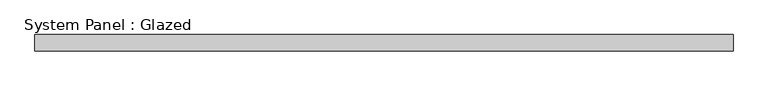
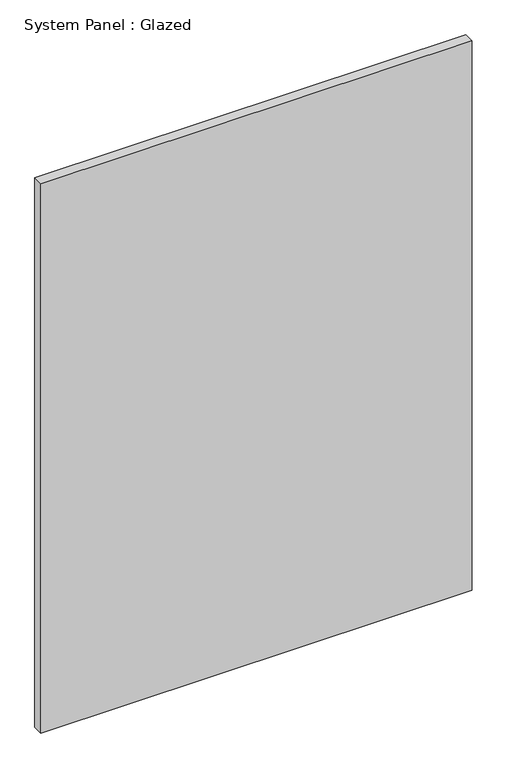
"""IFC4 building model written with IfcOpenShell, lengths in millimetres: plate geometry, System Panel : Glazed."""

import ifcopenshell
import ifcopenshell.guid

model = None  # the IFC model being written
_history = None  # IfcOwnerHistory: only IFC2X3 demands one
_inside = {}  # id of a spatial element -> (the spatial element, [elements in it])
_under = {}  # id of a project, library or spatial element -> (it, [spatial elements below it])
_declared = {}  # id of a project -> (the project, [libraries it declares])
_typed = {}  # id of a type object -> (the type object, [elements of that type])
_made_of = {}  # id of a material, layer set ... -> (it, [elements and type objects made of it])


def new_model(schema):
    """Start an empty IFC model of exactly this schema.

    Asked for "IFC4X3", IfcOpenShell would pick the latest addendum, in which some entities
    have other attributes; the version numbers below select the first issue.
    IFC2X3 requires an IfcOwnerHistory on every rooted entity: one is made here for all.
    """
    global model, _history
    if schema == "IFC4X3":
        model = ifcopenshell.file(schema_version=(4, 3, 0, 0))
    else:
        model = ifcopenshell.file(schema=schema)
    _inside.clear()
    _under.clear()
    _declared.clear()
    _typed.clear()
    _made_of.clear()
    _history = None
    if model.schema == "IFC2X3":
        org = make("IfcOrganization", Name="unknown")
        user = make(
            "IfcPersonAndOrganization",
            ThePerson=make("IfcPerson", FamilyName="unknown"),
            TheOrganization=org,
        )
        app = make(
            "IfcApplication",
            ApplicationDeveloper=org,
            Version="unknown",
            ApplicationFullName="unknown",
            ApplicationIdentifier="unknown",
        )
        _history = make(
            "IfcOwnerHistory",
            OwningUser=user,
            OwningApplication=app,
            ChangeAction="ADDED",
            CreationDate=0,
        )
    return model


def make(cls, **values):
    """One entity of the class cls with the attributes given. An attribute that is None is left unset."""
    return model.create_entity(
        cls, **{name: value for name, value in values.items() if value is not None}
    )


def rooted(cls, **values):
    """An entity with a GlobalId (a new one), such as an element, a storey or a relation."""
    return make(cls, GlobalId=ifcopenshell.guid.new(), OwnerHistory=_history, **values)


def si_unit(unit_type, name, prefix=None):
    """IfcSIUnit, for example si_unit("LENGTHUNIT", "METRE", prefix="MILLI")."""
    return make("IfcSIUnit", UnitType=unit_type, Prefix=prefix, Name=name)


def assignment(units):
    """IfcUnitAssignment: the units of a project."""
    return None if units is None else make("IfcUnitAssignment", Units=units)


def point(xyz):
    """IfcCartesianPoint."""
    return None if xyz is None else make("IfcCartesianPoint", Coordinates=xyz)


def direction(xyz):
    """IfcDirection."""
    return None if xyz is None else make("IfcDirection", DirectionRatios=xyz)


def frame(location, z_axis=None, x_axis=None):
    """IfcAxis2Placement3D, a coordinate frame: its origin and axes. An axis left out is left unset."""
    return make(
        "IfcAxis2Placement3D",
        Location=point(location),
        Axis=direction(z_axis),
        RefDirection=direction(x_axis),
    )


def origin():
    """The frame at (0, 0, 0) with its axes left unset."""
    return frame((0.0, 0.0, 0.0))


def origin_with_axes():
    """The frame at (0, 0, 0) with the z axis (0, 0, 1) and the x axis (1, 0, 0) written out."""
    return frame((0.0, 0.0, 0.0), z_axis=(0.0, 0.0, 1.0), x_axis=(1.0, 0.0, 0.0))


def place(relative_to, where):
    """IfcLocalPlacement: puts the frame where relative to a parent placement (None: the world)."""
    return make(
        "IfcLocalPlacement", PlacementRelTo=relative_to, RelativePlacement=where
    )


def context(
    kind, dimensions, precision=None, world=None, true_north=None, identifier=None
):
    """IfcGeometricRepresentationContext, for example the 3D "Model" context."""
    return make(
        "IfcGeometricRepresentationContext",
        ContextIdentifier=identifier,
        ContextType=kind,
        CoordinateSpaceDimension=dimensions,
        Precision=precision,
        WorldCoordinateSystem=world,
        TrueNorth=true_north,
    )


def project(units=None, contexts=None):
    """IfcProject with its units and contexts."""
    return rooted(
        "IfcProject",
        Name="project",
        RepresentationContexts=contexts,
        UnitsInContext=assignment(units),
    )


def spatial(cls, under=None, at=None, **own):
    """A site, building, storey or space (cls), placed at a placement, below another one or the project."""
    s = rooted(cls, ObjectPlacement=at, **own)
    if under is not None:
        _under.setdefault(under.id(), (under, []))[1].append(s)
    return s


def polyline(points):
    """IfcPolyline through the points."""
    return make("IfcPolyline", Points=[point(p) for p in points])


def outline(outer, holes=None, kind="AREA"):
    """IfcArbitraryClosedProfileDef: a profile drawn as a closed curve; with holes, ...WithVoids."""
    if holes is None:
        return make("IfcArbitraryClosedProfileDef", ProfileType=kind, OuterCurve=outer)
    return make(
        "IfcArbitraryProfileDefWithVoids",
        ProfileType=kind,
        OuterCurve=outer,
        InnerCurves=holes,
    )


def extrude(swept, where, along, depth):
    """IfcExtrudedAreaSolid: the profile swept, set in the frame where, extruded along a direction by depth."""
    return make(
        "IfcExtrudedAreaSolid",
        SweptArea=swept,
        Position=where,
        ExtrudedDirection=direction(along),
        Depth=depth,
    )


def shape(context_of_items, identifier, shape_type, items):
    """IfcShapeRepresentation: the items that make up one representation, for example the "Body"."""
    return make(
        "IfcShapeRepresentation",
        ContextOfItems=context_of_items,
        RepresentationIdentifier=identifier,
        RepresentationType=shape_type,
        Items=items,
    )


def source(mapping_origin, context_of_items, identifier, shape_type, items):
    """IfcRepresentationMap: a shape defined once, which mapped items show again and again."""
    return make(
        "IfcRepresentationMap",
        MappingOrigin=mapping_origin,
        MappedRepresentation=shape(context_of_items, identifier, shape_type, items),
    )


def transform(
    local_origin,
    x_axis=None,
    y_axis=None,
    z_axis=None,
    scale=None,
    scale2=None,
    scale3=None,
    uniform=True,
):
    """IfcCartesianTransformationOperator3D, or its non-uniform kind. x_axis, y_axis, z_axis: its Axis1, 2, 3."""
    if uniform:
        return make(
            "IfcCartesianTransformationOperator3D",
            Axis1=direction(x_axis),
            Axis2=direction(y_axis),
            LocalOrigin=point(local_origin),
            Scale=scale,
            Axis3=direction(z_axis),
        )
    return make(
        "IfcCartesianTransformationOperator3DnonUniform",
        Axis1=direction(x_axis),
        Axis2=direction(y_axis),
        LocalOrigin=point(local_origin),
        Scale=scale,
        Axis3=direction(z_axis),
        Scale2=scale2,
        Scale3=scale3,
    )


def mapped(mapping_source, mapping_target):
    """IfcMappedItem: shows the shape of a source again, moved by a transform."""
    return make(
        "IfcMappedItem", MappingSource=mapping_source, MappingTarget=mapping_target
    )


def made_of(thing, what):
    """Note that an element or type object is made of a material, layer set ...; save() writes the relation."""
    if what is not None:
        _made_of.setdefault(what.id(), (what, []))[1].append(thing)
    return thing


def element(
    cls,
    number,
    at=None,
    inside=None,
    cuts=None,
    type_object=None,
    material=None,
    context=None,
    identifier="Body",
    shape_type=None,
    held_by="IfcProductDefinitionShape",
    body=None,
    shapes=None,
    **own,
):
    """One element of the class cls, such as IfcWall. Its Tag is "e" and its number.

    at: its placement. inside: the storey or other place that contains it. cuts: it is an
    opening in that element (IfcRelVoidsElement). A single representation is given by context,
    identifier, shape_type and body (its items); several are given by shapes. held_by: the class
    of the entity that holds the representations. save() writes the other relations.
    """
    e = rooted(cls, Tag="e%d" % number, ObjectPlacement=at, **own)
    if body is not None:
        shapes = [shape(context, identifier, shape_type, body)]
    if shapes is not None:
        e.Representation = make(held_by, Representations=shapes)
    if inside is not None:
        _inside.setdefault(inside.id(), (inside, []))[1].append(e)
    if cuts is not None:
        rooted(
            "IfcRelVoidsElement", RelatingBuildingElement=cuts, RelatedOpeningElement=e
        )
    if type_object is not None:
        _typed.setdefault(type_object.id(), (type_object, []))[1].append(e)
    return made_of(e, material)


def aggregate(whole, parts):
    """IfcRelAggregates: a whole, such as a stair, and the parts it consists of."""
    return rooted("IfcRelAggregates", RelatingObject=whole, RelatedObjects=parts)


def save(model, path):
    """Write the relations noted so far, then the file.

    IfcRelAggregates (storeys below a building ...), IfcRelContainedInSpatialStructure (elements
    in a storey), IfcRelDefinesByType, IfcRelAssociatesMaterial and IfcRelDeclares: one each for
    every whole, place, type object, material and project.
    """
    for whole, parts in _under.values():
        aggregate(whole, parts)
    for where, things in _inside.values():
        rooted(
            "IfcRelContainedInSpatialStructure",
            RelatedElements=things,
            RelatingStructure=where,
        )
    for kind, things in _typed.values():
        rooted("IfcRelDefinesByType", RelatedObjects=things, RelatingType=kind)
    for what, things in _made_of.values():
        rooted("IfcRelAssociatesMaterial", RelatedObjects=things, RelatingMaterial=what)
    for by, libraries in _declared.values():
        rooted("IfcRelDeclares", RelatingContext=by, RelatedDefinitions=libraries)
    model.write(path)


def system_panel_glazed_0843e614(model_context):
    return source(origin(), model_context, "Body", "SweptSolid", [
        extrude(outline(polyline([(542.2900001, 19.05), (-542.2900001, 19.05), (-542.2900001, 44.45), (542.2900001, 44.45), (542.2900001, 19.05)])), origin_with_axes(), (0.0, 0.0, 1.0), 1460.5),
    ])


if __name__ == "__main__":
    model = new_model("IFC4")
    model_context = context("Model", 3, world=origin())
    ifc_project = project(units=[si_unit("LENGTHUNIT", "METRE", prefix="MILLI")], contexts=[model_context])
    site = spatial("IfcSite", under=ifc_project)
    building = spatial("IfcBuilding", under=site)
    placement = place(None, origin())
    system_panel_glazed_shape = system_panel_glazed_0843e614(model_context)
    element("IfcPlate", 1, ObjectType="System Panel : Glazed", at=placement, inside=building, context=model_context, shape_type="MappedRepresentation", body=[
        mapped(system_panel_glazed_shape, transform((0.0, 0.0, 0.0), x_axis=(1.0, 0.0, 0.0), y_axis=(0.0, 1.0, 0.0), z_axis=(0.0, 0.0, 1.0))),
    ])
    save(model, "model.ifc")
